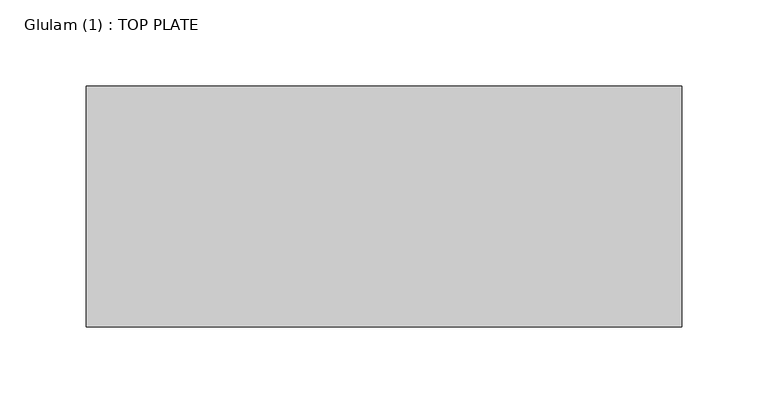
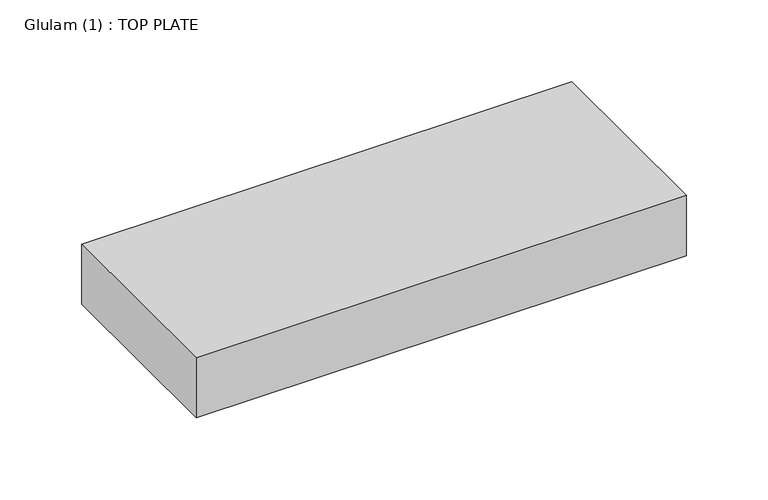
"""IFC4 building model written with IfcOpenShell, lengths in millimetres: beam geometry, Glulam (1) : TOP PLATE."""

from ifc_helpers import new_model, si_unit, frame, origin, place, context, project, spatial, polyline, outline, extrude, source, transform, mapped, element, save


def glulam_1_top_plate_fb45dec5(model_context):
    return source(origin(), model_context, "Body", "SweptSolid", [
        extrude(outline(polyline([(1153.0, 70.0), (1153.0, -70.0), (806.8833028, -70.0), (806.8833028, 70.0), (1153.0, 70.0)])), frame((0.0, 0.0, -22.5), z_axis=(0.0, 0.0, 1.0), x_axis=(1.0, 0.0, 0.0)), (0.0, 0.0, 1.0), 45.0),
    ])


if __name__ == "__main__":
    model = new_model("IFC4")
    model_context = context("Model", 3, world=origin())
    ifc_project = project(units=[si_unit("LENGTHUNIT", "METRE", prefix="MILLI")], contexts=[model_context])
    site = spatial("IfcSite", under=ifc_project)
    building = spatial("IfcBuilding", under=site)
    placement = place(None, origin())
    glulam_1_top_plate_shape = glulam_1_top_plate_fb45dec5(model_context)
    element("IfcBeam", 1, ObjectType="Glulam (1) : TOP PLATE", at=placement, inside=building, context=model_context, shape_type="MappedRepresentation", body=[
        mapped(glulam_1_top_plate_shape, transform((0.0, 0.0, 0.0), x_axis=(1.0, 0.0, 0.0), y_axis=(0.0, 1.0, 0.0), z_axis=(0.0, 0.0, 1.0))),
    ])
    save(model, "model.ifc")
